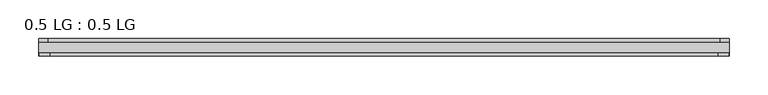
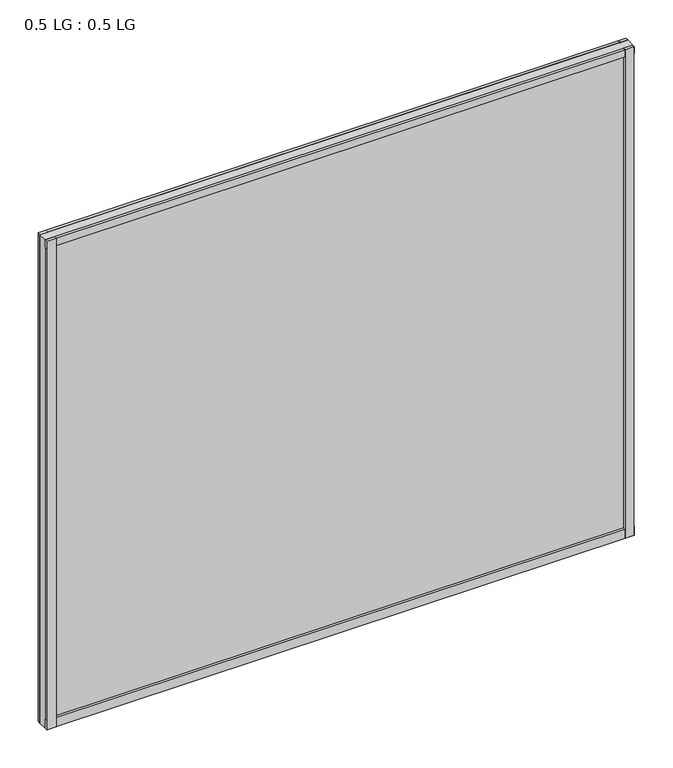
"""IFC4 building model written with IfcOpenShell, lengths in millimetres: plate geometry, 0.5 LG : 0.5 LG."""

from ifc_helpers import new_model, si_unit, frame, origin, origin_with_axes, place, context, project, spatial, polyline, outline, extrude, source, transform, mapped, element, save


def plate_0_5_lg_0_5_lg_a95125ba(model_context):
    return source(origin(), model_context, "Body", "SweptSolid", [
        extrude(outline(polyline([(444.5, -4.6736), (433.0474034, -4.6736), (433.0474034, 0.0), (444.5, 0.0), (444.5, -4.6736)])), origin_with_axes(), (0.0, 0.0, 1.0), 781.1739499),
        extrude(outline(polyline([(430.2806761, -18.288), (443.6843966, -18.288), (443.6843966, -22.479), (430.2806761, -22.479), (430.2806761, -18.288)])), origin_with_axes(), (0.0, 0.0, 1.0), 781.1739499),
        extrude(outline(polyline([(-432.9821913, 0.0), (-432.9821913, -4.6736), (-444.5, -4.6736), (-444.5, 0.0), (-432.9821913, 0.0)])), origin_with_axes(), (0.0, 0.0, 1.0), 781.1739499),
        extrude(outline(polyline([(-430.2909512, -18.288), (-430.2909512, -22.479), (-443.6843966, -22.479), (-443.6843966, -18.288), (-430.2909512, -18.288)])), origin_with_axes(), (0.0, 0.0, 1.0), 781.1739499),
        extrude(outline(polyline([(444.5, 0.0), (444.5, -4.6736), (-444.5, -4.6736), (-444.5, 0.0), (444.5, 0.0)])), origin_with_axes(), (0.0, 0.0, 1.0), 11.444324),
        extrude(outline(polyline([(444.5, -18.288), (444.5, -22.479), (-444.5, -22.479), (-444.5, -18.288), (444.5, -18.288)])), origin_with_axes(), (0.0, 0.0, 1.0), 14.1703966),
        extrude(outline(polyline([(444.5, 0.0), (444.5, -4.6736), (-444.5, -4.6736), (-444.5, 0.0), (444.5, 0.0)])), frame((0.0, 0.0, 769.5088472), z_axis=(0.0, 0.0, 1.0), x_axis=(1.0, 0.0, 0.0)), (0.0, 0.0, 1.0), 11.6651026),
        extrude(outline(polyline([(444.5, -18.288), (444.5, -22.479), (-444.5, -22.479), (-444.5, -18.288), (444.5, -18.288)])), frame((0.0, 0.0, 769.5088472), z_axis=(0.0, 0.0, 1.0), x_axis=(1.0, 0.0, 0.0)), (0.0, 0.0, 1.0), 11.6651026),
        extrude(outline(polyline([(444.5, -4.6736), (444.5, -18.288), (-444.5, -18.288), (-444.5, -4.6736), (444.5, -4.6736)])), origin_with_axes(), (0.0, 0.0, 1.0), 781.1739499),
    ])


if __name__ == "__main__":
    model = new_model("IFC4")
    model_context = context("Model", 3, world=origin())
    ifc_project = project(units=[si_unit("LENGTHUNIT", "METRE", prefix="MILLI")], contexts=[model_context])
    site = spatial("IfcSite", under=ifc_project)
    building = spatial("IfcBuilding", under=site)
    placement = place(None, origin())
    plate_0_5_lg_0_5_lg_shape = plate_0_5_lg_0_5_lg_a95125ba(model_context)
    element("IfcPlate", 1, ObjectType="0.5 LG : 0.5 LG", at=placement, inside=building, context=model_context, shape_type="MappedRepresentation", body=[
        mapped(plate_0_5_lg_0_5_lg_shape, transform((0.0, 0.0, 0.0), x_axis=(1.0, 0.0, 0.0), y_axis=(0.0, 1.0, 0.0), z_axis=(0.0, 0.0, 1.0))),
    ])
    save(model, "model.ifc")
